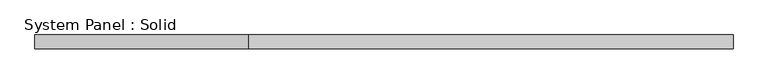
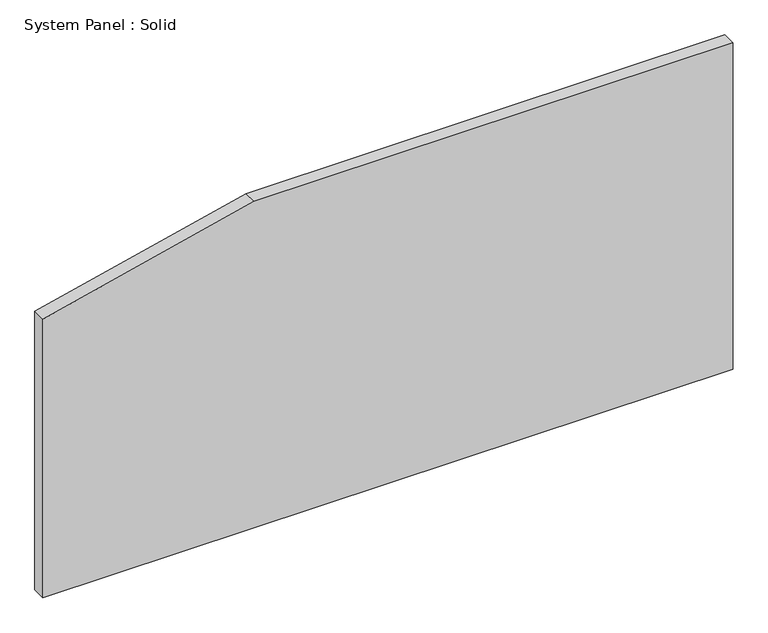
"""IFC4 building model written with IfcOpenShell, lengths in millimetres: plate geometry, System Panel : Solid."""

from ifc_helpers import new_model, si_unit, frame, origin, place, context, project, spatial, polyline, outline, extrude, source, transform, mapped, element, save


def system_panel_solid_4a8fa5b5(model_context):
    return source(origin(), model_context, "Body", "SweptSolid", [
        extrude(outline(polyline([(0.0, -1500.0), (0.0, 1500.0), (1500.0, 1500.0), (1500.0, -582.115648), (1280.2489465, -1500.0), (0.0, -1500.0)])), frame((0.0, -10.5, 0.0), z_axis=(0.0, 1.0, 0.0), x_axis=(0.0, 0.0, 1.0)), (0.0, 0.0, 1.0), 60.0),
    ])


if __name__ == "__main__":
    model = new_model("IFC4")
    model_context = context("Model", 3, world=origin())
    ifc_project = project(units=[si_unit("LENGTHUNIT", "METRE", prefix="MILLI")], contexts=[model_context])
    site = spatial("IfcSite", under=ifc_project)
    building = spatial("IfcBuilding", under=site)
    placement = place(None, origin())
    system_panel_solid_shape = system_panel_solid_4a8fa5b5(model_context)
    element("IfcPlate", 1, ObjectType="System Panel : Solid", at=placement, inside=building, context=model_context, shape_type="MappedRepresentation", body=[
        mapped(system_panel_solid_shape, transform((0.0, 0.0, 0.0), x_axis=(1.0, 0.0, 0.0), y_axis=(0.0, 1.0, 0.0), z_axis=(0.0, 0.0, 1.0))),
    ])
    save(model, "model.ifc")
